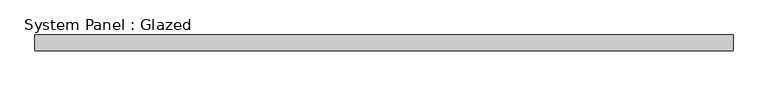
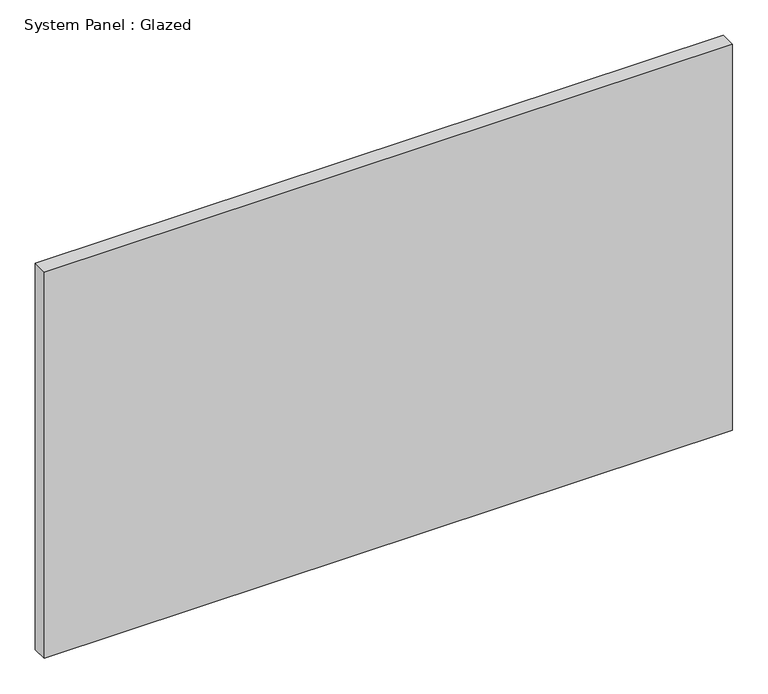
"""IFC4 building model written with IfcOpenShell, lengths in millimetres: plate geometry, System Panel : Glazed."""

from ifc_helpers import new_model, si_unit, origin, origin_with_axes, place, context, project, spatial, polyline, outline, extrude, source, transform, mapped, element, save


def system_panel_glazed_8621cfc0(model_context):
    return source(origin(), model_context, "Body", "SweptSolid", [
        extrude(outline(polyline([(561.975, -44.45), (-561.975, -44.45), (-561.975, -19.05), (561.975, -19.05), (561.975, -44.45)])), origin_with_axes(), (0.0, 0.0, 1.0), 666.75),
    ])


if __name__ == "__main__":
    model = new_model("IFC4")
    model_context = context("Model", 3, world=origin())
    ifc_project = project(units=[si_unit("LENGTHUNIT", "METRE", prefix="MILLI")], contexts=[model_context])
    site = spatial("IfcSite", under=ifc_project)
    building = spatial("IfcBuilding", under=site)
    placement = place(None, origin())
    system_panel_glazed_shape = system_panel_glazed_8621cfc0(model_context)
    element("IfcPlate", 1, ObjectType="System Panel : Glazed", at=placement, inside=building, context=model_context, shape_type="MappedRepresentation", body=[
        mapped(system_panel_glazed_shape, transform((0.0, 0.0, 0.0), x_axis=(1.0, 0.0, 0.0), y_axis=(0.0, 1.0, 0.0), z_axis=(0.0, 0.0, 1.0))),
    ])
    save(model, "model.ifc")
